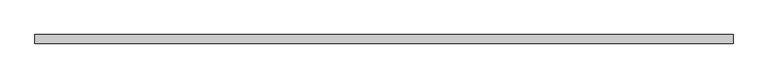
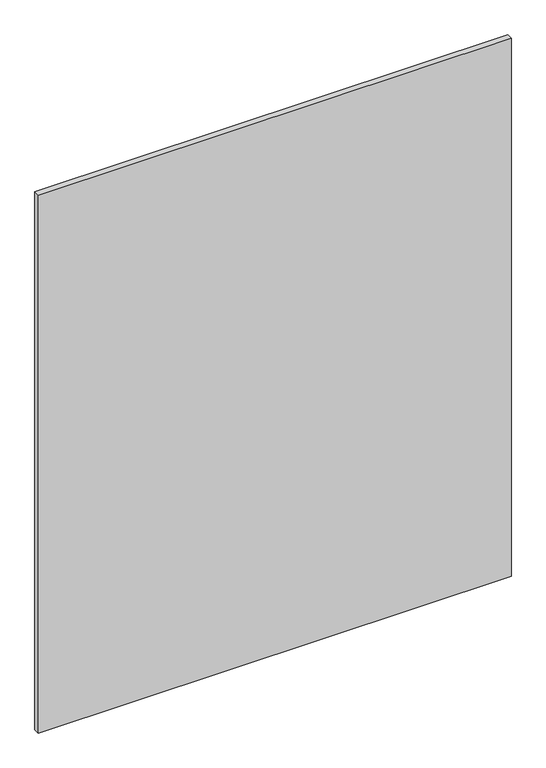
"""IFC4 building model written with IfcOpenShell, lengths in millimetres: plate geometry."""

from ifc_helpers import new_model, si_unit, origin, origin_with_axes, place, context, project, spatial, polyline, outline, extrude, source, transform, mapped, element, save


def plate_e8fefcbc(model_context):
    return source(origin(), model_context, "Body", "SweptSolid", [
        extrude(outline(polyline([(732.508245, -9.525), (-732.508245, -9.525), (-732.508245, 9.525), (732.508245, 9.525), (732.508245, -9.525)])), origin_with_axes(), (0.0, 0.0, 1.0), 1761.3),
    ])


if __name__ == "__main__":
    model = new_model("IFC4")
    model_context = context("Model", 3, world=origin())
    ifc_project = project(units=[si_unit("LENGTHUNIT", "METRE", prefix="MILLI")], contexts=[model_context])
    site = spatial("IfcSite", under=ifc_project)
    building = spatial("IfcBuilding", under=site)
    placement = place(None, origin())
    plate_shape = plate_e8fefcbc(model_context)
    element("IfcPlate", 1, at=placement, inside=building, context=model_context, shape_type="MappedRepresentation", body=[
        mapped(plate_shape, transform((0.0, 0.0, 0.0), x_axis=(1.0, 0.0, 0.0), y_axis=(0.0, 1.0, 0.0), z_axis=(0.0, 0.0, 1.0))),
    ])
    save(model, "model.ifc")
